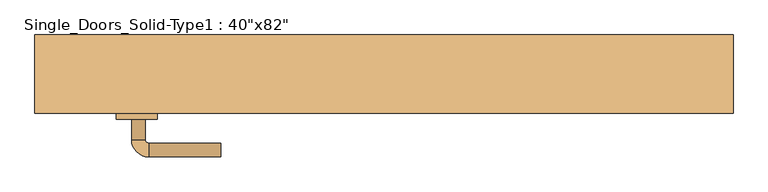
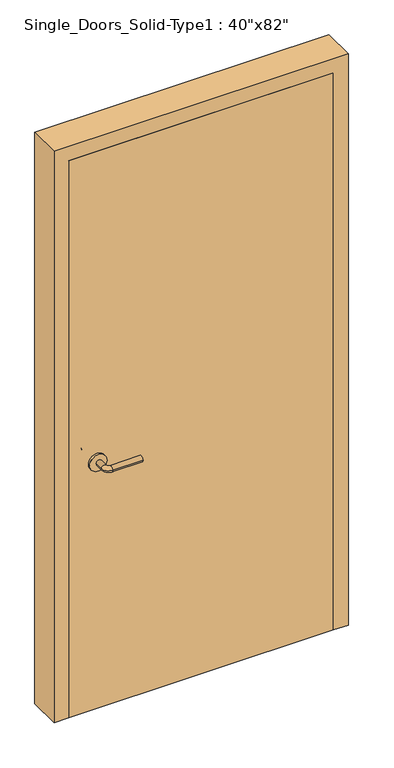
"""IFC4 building model written with IfcOpenShell, lengths in millimetres: door geometry."""

from ifc_helpers import new_model, si_unit, point, frame, frame_2d, origin, origin_with_axes, place, context, project, spatial, polyline, circle_curve, ellipse_curve, trimmed, segment, composite_curve, outline, extrude, faceted_brep, source, transform, mapped, element, save
from ifc_brep_helpers import plane_surface, cylinder_surface, revolved_surface, advanced_brep


def door_6f51971e(model_context):
    return source(origin(), model_context, "Body", "SolidModel", [
        advanced_brep(
        [(-367.2, -11.05, 900.0), (-347.2, -11.05, 900.0), (-367.2, 18.95, 900.0), (-347.2, 18.95, 900.0), (-342.2, 23.95, 900.0), (-342.2, 43.95, 900.0), (-237.2, 43.95, 900.0), (-237.2, 23.95, 900.0)],
        [
            (0, 1, circle_curve(frame((-357.2, -11.05, 900.0), z_axis=(0.0, -1.0, 0.0), x_axis=(1.0, 0.0, 0.0)), 10.0)),
            (1, 0, circle_curve(frame((-357.2, -11.05, 900.0), z_axis=(0.0, -1.0, 0.0), x_axis=(1.0, 0.0, 0.0)), 10.0)),
            (0, 2),
            (2, 3, circle_curve(frame((-357.2, 18.95, 900.0), z_axis=(0.0, -1.0, 0.0), x_axis=(1.0, 0.0, 0.0)), 10.0)),
            (3, 1),
            (3, 2, circle_curve(frame((-357.2, 18.95, 900.0), z_axis=(0.0, -1.0, 0.0), x_axis=(1.0, 0.0, 0.0)), 10.0)),
            (4, 3, circle_curve(frame((-342.2, 18.95, 900.0), z_axis=(0.0, 0.0, 1.0), x_axis=(-1.0, 0.0, 0.0)), 5.0)),
            (2, 5, circle_curve(frame((-342.2, 18.95, 900.0), z_axis=(0.0, 0.0, -1.0), x_axis=(-1.0, 0.0, 0.0)), 25.0)),
            (5, 4, circle_curve(frame((-342.2, 33.95, 900.0), z_axis=(-1.0, 0.0, 0.0), x_axis=(0.0, -1.0, 0.0)), 10.0)),
            (4, 5, circle_curve(frame((-342.2, 33.95, 900.0), z_axis=(-1.0, 0.0, 0.0), x_axis=(0.0, -1.0, 0.0)), 10.0)),
            (6, 7, circle_curve(frame((-237.2, 33.95, 900.0), z_axis=(1.0, 0.0, 0.0), x_axis=(0.0, -1.0, 0.0)), 10.0)),
            (7, 6, circle_curve(frame((-237.2, 33.95, 900.0), z_axis=(1.0, 0.0, 0.0), x_axis=(0.0, -1.0, 0.0)), 10.0)),
            (5, 6),
            (7, 4),
        ],
        [
            plane_surface(frame((-357.2, -11.05, 900.0), z_axis=(0.0, -1.0, 0.0), x_axis=(0.0, 0.0, 1.0))),
            cylinder_surface(frame((-357.2, -11.05, 900.0), z_axis=(0.0, -1.0, 0.0), x_axis=(1.0, 0.0, 0.0)), 10.0),
            revolved_surface(trimmed(ellipse_curve(frame((-357.2, 18.95, 900.0), z_axis=(0.0, -1.0, 0.0), x_axis=(1.0, 0.0, 0.0)), 10.0, 10.0), [point((-367.2, 18.95, 900.0))], [point((-347.2, 18.95, 900.0))], True, "CARTESIAN"), (-342.2, 18.95, 900.0), (0.0, 0.0, -1.0)),
            revolved_surface(trimmed(ellipse_curve(frame((-357.2, 18.95, 900.0), z_axis=(0.0, -1.0, 0.0), x_axis=(1.0, 0.0, 0.0)), 10.0, 10.0), [point((-347.2, 18.95, 900.0))], [point((-367.2, 18.95, 900.0))], True, "CARTESIAN"), (-342.2, 18.95, 900.0), (0.0, 0.0, -1.0)),
            plane_surface(frame((-237.2, 33.95, 900.0), z_axis=(1.0, 0.0, 0.0), x_axis=(0.0, 0.0, 1.0))),
            cylinder_surface(frame((-342.2, 33.95, 900.0), z_axis=(-1.0, 0.0, 0.0), x_axis=(0.0, -1.0, 0.0)), 10.0),
        ],
        [
            (0, [[1, 2]]),
            (1, [[-1, 3, 4, 5]]),
            (1, [[-2, -5, 6, -3]]),
            (2, [[7, -4, 8, 9]]),
            (3, [[-8, -6, -7, 10]]),
            (4, [[11, 12]]),
            (5, [[-9, 13, -12, 14]]),
            (5, [[-10, -14, -11, -13]]),
        ],
    ),
        extrude(outline(composite_curve([segment(trimmed(circle_curve(frame_2d((900.0, -359.7)), 30.0), [point((900.0, -389.7))], [point((900.0, -329.7))], False, "CARTESIAN"), True, "CONTINUOUS"), segment(trimmed(circle_curve(frame_2d((900.0, -359.7)), 30.0), [point((900.0, -329.7))], [point((900.0, -389.7))], False, "CARTESIAN"), True, "CONTINUOUS")], self_intersect=False)), frame((0.0, -19.05, 0.0), z_axis=(0.0, 1.0, 0.0), x_axis=(0.0, 0.0, 1.0)), (0.0, 0.0, 1.0), 8.0),
        advanced_brep(
        [(-367.2, -65.15, 900.0), (-347.2, -65.15, 900.0), (-347.2, -95.15, 900.0), (-367.2, -95.15, 900.0), (-342.2, -100.15, 900.0), (-342.2, -120.15, 900.0), (-237.2, -120.15, 900.0), (-237.2, -100.15, 900.0)],
        [
            (0, 1, circle_curve(frame((-357.2, -65.15, 900.0), z_axis=(0.0, 1.0, 0.0), x_axis=(1.0, 0.0, 0.0)), 10.0)),
            (1, 0, circle_curve(frame((-357.2, -65.15, 900.0), z_axis=(0.0, 1.0, 0.0), x_axis=(1.0, 0.0, 0.0)), 10.0)),
            (1, 2),
            (2, 3, circle_curve(frame((-357.2, -95.15, 900.0), z_axis=(0.0, 1.0, 0.0), x_axis=(1.0, 0.0, 0.0)), 10.0)),
            (3, 0),
            (3, 2, circle_curve(frame((-357.2, -95.15, 900.0), z_axis=(0.0, 1.0, 0.0), x_axis=(1.0, 0.0, 0.0)), 10.0)),
            (4, 5, circle_curve(frame((-342.2, -110.15, 900.0), z_axis=(-1.0, 0.0, 0.0), x_axis=(0.0, 1.0, 0.0)), 10.0)),
            (5, 3, circle_curve(frame((-342.2, -95.15, 900.0), z_axis=(0.0, 0.0, -1.0), x_axis=(-1.0, 0.0, 0.0)), 25.0)),
            (2, 4, circle_curve(frame((-342.2, -95.15, 900.0), z_axis=(0.0, 0.0, 1.0), x_axis=(-1.0, 0.0, 0.0)), 5.0)),
            (5, 4, circle_curve(frame((-342.2, -110.15, 900.0), z_axis=(-1.0, 0.0, 0.0), x_axis=(0.0, 1.0, 0.0)), 10.0)),
            (6, 7, circle_curve(frame((-237.2, -110.15, 900.0), z_axis=(1.0, 0.0, 0.0), x_axis=(0.0, 1.0, 0.0)), 10.0)),
            (7, 6, circle_curve(frame((-237.2, -110.15, 900.0), z_axis=(1.0, 0.0, 0.0), x_axis=(0.0, 1.0, 0.0)), 10.0)),
            (4, 7),
            (6, 5),
        ],
        [
            plane_surface(frame((-357.2, -65.15, 900.0), z_axis=(0.0, 1.0, 0.0), x_axis=(0.0, 0.0, 1.0))),
            cylinder_surface(frame((-357.2, -65.15, 900.0), z_axis=(0.0, 1.0, 0.0), x_axis=(1.0, 0.0, 0.0)), 10.0),
            revolved_surface(trimmed(ellipse_curve(frame((-357.2, -95.15, 900.0), z_axis=(0.0, -1.0, 0.0), x_axis=(1.0, 0.0, 0.0)), 10.0, 10.0), [point((-367.2, -95.15, 900.0))], [point((-347.2, -95.15, 900.0))], True, "CARTESIAN"), (-342.2, -95.15, 900.0), (0.0, 0.0, -1.0)),
            revolved_surface(trimmed(ellipse_curve(frame((-357.2, -95.15, 900.0), z_axis=(0.0, -1.0, 0.0), x_axis=(1.0, 0.0, 0.0)), 10.0, 10.0), [point((-347.2, -95.15, 900.0))], [point((-367.2, -95.15, 900.0))], True, "CARTESIAN"), (-342.2, -95.15, 900.0), (0.0, 0.0, -1.0)),
            plane_surface(frame((-237.2, -110.15, 900.0), z_axis=(1.0, 0.0, 0.0), x_axis=(0.0, 0.0, 1.0))),
            cylinder_surface(frame((-342.2, -110.15, 900.0), z_axis=(-1.0, 0.0, 0.0), x_axis=(0.0, 1.0, 0.0)), 10.0),
        ],
        [
            (0, [[1, 2]]),
            (1, [[3, 4, 5, -2]]),
            (1, [[-5, 6, -3, -1]]),
            (2, [[7, 8, -4, 9]]),
            (3, [[10, -9, -6, -8]]),
            (4, [[11, 12]]),
            (5, [[13, -11, 14, -7]]),
            (5, [[-14, -12, -13, -10]]),
        ],
    ),
        extrude(outline(composite_curve([segment(trimmed(circle_curve(frame_2d((900.0, -359.7)), 30.0), [point((900.0, -389.7))], [point((900.0, -329.7))], False, "CARTESIAN"), True, "CONTINUOUS"), segment(trimmed(circle_curve(frame_2d((900.0, -359.7)), 30.0), [point((900.0, -329.7))], [point((900.0, -389.7))], False, "CARTESIAN"), True, "CONTINUOUS")], self_intersect=False)), frame((0.0, -65.15, 0.0), z_axis=(0.0, 1.0, 0.0), x_axis=(0.0, 0.0, 1.0)), (0.0, 0.0, 1.0), 8.0),
        faceted_brep([(-508.0, 57.15, 0.0), (-457.2, 57.15, 0.0), (-457.2, 31.75, 0.0), (-444.5, 31.75, 0.0), (-444.5, -19.05, 0.0), (-457.2, -19.05, 0.0), (-457.2, -57.15, 0.0), (-508.0, -57.15, 0.0), (-508.0, -57.15, 2082.8), (-508.0, 57.15, 2082.8), (-457.2, -57.15, 2032.0), (457.2, -57.15, 2032.0), (457.2, -57.15, 0.0), (508.0, -57.15, 0.0), (508.0, -57.15, 2082.8), (-457.2, -19.05, 2032.0), (-444.5, -19.05, 2019.3), (444.5, -19.05, 2019.3), (444.5, -19.05, 0.0), (457.2, -19.05, 0.0), (457.2, -19.05, 2032.0), (-444.5, 31.75, 2019.3), (-457.2, 31.75, 2032.0), (457.2, 31.75, 2032.0), (457.2, 31.75, 0.0), (444.5, 31.75, 0.0), (444.5, 31.75, 2019.3), (-457.2, 57.15, 2032.0), (508.0, 57.15, 2082.8), (508.0, 57.15, 0.0), (457.2, 57.15, 0.0), (457.2, 57.15, 2032.0)], [[[0, 1, 2, 3, 4, 5, 6, 7]], [[7, 8, 9, 0]], [[6, 10, 11, 12, 13, 14, 8, 7]], [[5, 15, 10, 6]], [[4, 16, 17, 18, 19, 20, 15, 5]], [[3, 21, 16, 4]], [[2, 22, 23, 24, 25, 26, 21, 3]], [[1, 27, 22, 2]], [[0, 9, 28, 29, 30, 31, 27, 1]], [[14, 13, 29, 28]], [[29, 13, 12, 19, 18, 25, 24, 30]], [[20, 19, 12, 11]], [[26, 25, 18, 17]], [[31, 30, 24, 23]], [[8, 14, 28, 9]], [[15, 20, 11, 10]], [[21, 26, 17, 16]], [[27, 31, 23, 22]]]),
        extrude(outline(polyline([(457.2, -19.05), (457.2, -57.15), (-457.2, -57.15), (-457.2, -19.05), (457.2, -19.05)])), origin_with_axes(), (0.0, 0.0, 1.0), 2032.0),
    ])


if __name__ == "__main__":
    model = new_model("IFC4")
    model_context = context("Model", 3, world=origin())
    ifc_project = project(units=[si_unit("LENGTHUNIT", "METRE", prefix="MILLI")], contexts=[model_context])
    site = spatial("IfcSite", under=ifc_project)
    building = spatial("IfcBuilding", under=site)
    placement = place(None, origin())
    door_shape = door_6f51971e(model_context)
    element("IfcDoor", 1, ObjectType="Single_Doors_Solid-Type1 : 40\"x82\"", at=placement, inside=building, context=model_context, shape_type="MappedRepresentation", body=[
        mapped(door_shape, transform((0.0, 0.0, 0.0), x_axis=(1.0, 0.0, 0.0), y_axis=(0.0, 1.0, 0.0), z_axis=(0.0, 0.0, 1.0))),
    ])
    save(model, "model.ifc")
